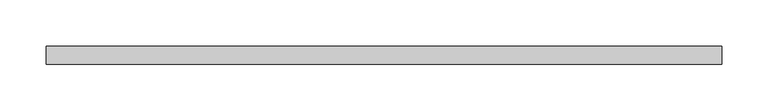
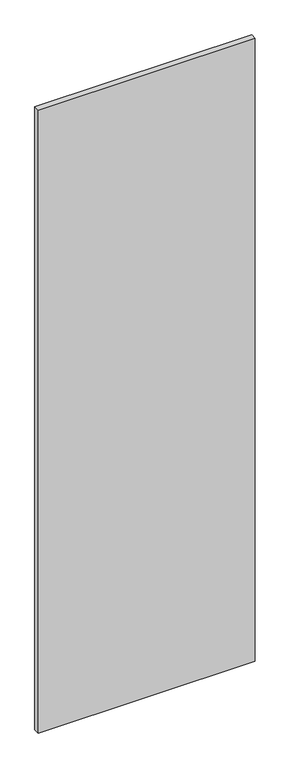
"""IFC4 building model written with IfcOpenShell, lengths in millimetres: proxy geometry."""

from ifc_helpers import new_model, si_unit, frame, origin, place, context, project, spatial, polyline, outline, extrude, source, transform, mapped, element, save


def specialty_equipment_6ebebaef(model_context):
    return source(origin(), model_context, "Body", "SweptSolid", [
        extrude(outline(polyline([(363.2454, -9.525), (-363.2454, -9.525), (-363.2454, 9.525), (363.2454, 9.525), (363.2454, -9.525)])), frame((0.0, 0.0, 3.175), z_axis=(0.0, 0.0, 1.0), x_axis=(1.0, 0.0, 0.0)), (0.0, 0.0, 1.0), 2203.45),
    ])


if __name__ == "__main__":
    model = new_model("IFC4")
    model_context = context("Model", 3, world=origin())
    ifc_project = project(units=[si_unit("LENGTHUNIT", "METRE", prefix="MILLI")], contexts=[model_context])
    site = spatial("IfcSite", under=ifc_project)
    building = spatial("IfcBuilding", under=site)
    placement = place(None, origin())
    specialty_equipment_shape = specialty_equipment_6ebebaef(model_context)
    element("IfcBuildingElementProxy", 1, Name="Specialty Equipment", at=placement, inside=building, context=model_context, shape_type="MappedRepresentation", body=[
        mapped(specialty_equipment_shape, transform((0.0, 0.0, 0.0), x_axis=(1.0, 0.0, 0.0), y_axis=(0.0, 1.0, 0.0), z_axis=(0.0, 0.0, 1.0))),
    ])
    save(model, "model.ifc")
